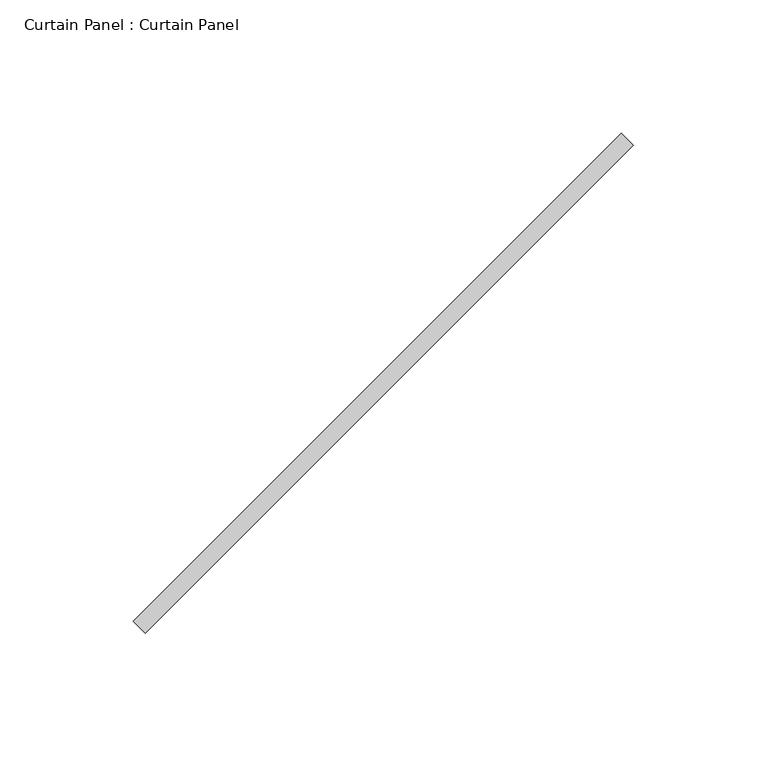
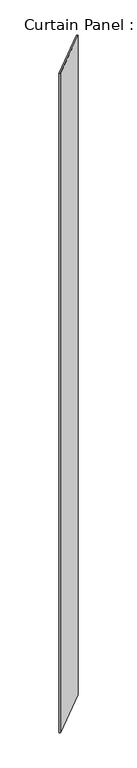
"""IFC4 building model written with IfcOpenShell, lengths in millimetres: plate geometry, Curtain Panel : Curtain Panel."""

from ifc_helpers import new_model, si_unit, origin, origin_with_axes, place, context, project, spatial, polyline, outline, extrude, source, transform, mapped, element, save


def curtain_panel_curtain_panel_4095f752(model_context):
    return source(origin(), model_context, "Body", "SweptSolid", [
        extrude(outline(polyline([(347058.2773187, 1744.2171883), (346875.3046003, 1561.2444698), (346870.8144722, 1565.7345979), (347053.7871907, 1748.7073163), (347058.2773187, 1744.2171883)])), origin_with_axes(), (0.0, 0.0, 1.0), 3048.0),
    ])


if __name__ == "__main__":
    model = new_model("IFC4")
    model_context = context("Model", 3, world=origin())
    ifc_project = project(units=[si_unit("LENGTHUNIT", "METRE", prefix="MILLI")], contexts=[model_context])
    site = spatial("IfcSite", under=ifc_project)
    building = spatial("IfcBuilding", under=site)
    placement = place(None, origin())
    curtain_panel_curtain_panel_shape = curtain_panel_curtain_panel_4095f752(model_context)
    element("IfcPlate", 1, ObjectType="Curtain Panel : Curtain Panel", at=placement, inside=building, context=model_context, shape_type="MappedRepresentation", body=[
        mapped(curtain_panel_curtain_panel_shape, transform((0.0, 0.0, 0.0), x_axis=(1.0, 0.0, 0.0), y_axis=(0.0, 1.0, 0.0), z_axis=(0.0, 0.0, 1.0))),
    ])
    save(model, "model.ifc")
